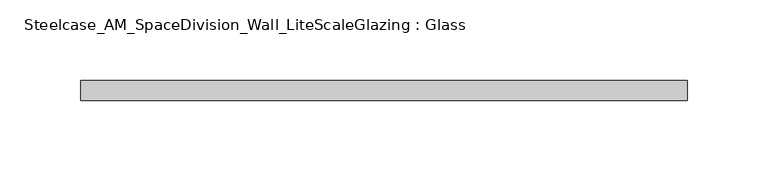
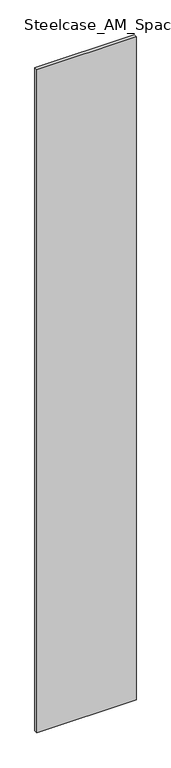
"""IFC4 building model written with IfcOpenShell, lengths in millimetres: plate geometry, Steelcase_AM_SpaceDivision_Wall_LiteScaleGlazing : Glass."""

import ifcopenshell
import ifcopenshell.guid

model = None  # the IFC model being written
_history = None  # IfcOwnerHistory: only IFC2X3 demands one
_inside = {}  # id of a spatial element -> (the spatial element, [elements in it])
_under = {}  # id of a project, library or spatial element -> (it, [spatial elements below it])
_declared = {}  # id of a project -> (the project, [libraries it declares])
_typed = {}  # id of a type object -> (the type object, [elements of that type])
_made_of = {}  # id of a material, layer set ... -> (it, [elements and type objects made of it])


def new_model(schema):
    """Start an empty IFC model of exactly this schema.

    Asked for "IFC4X3", IfcOpenShell would pick the latest addendum, in which some entities
    have other attributes; the version numbers below select the first issue.
    IFC2X3 requires an IfcOwnerHistory on every rooted entity: one is made here for all.
    """
    global model, _history
    if schema == "IFC4X3":
        model = ifcopenshell.file(schema_version=(4, 3, 0, 0))
    else:
        model = ifcopenshell.file(schema=schema)
    _inside.clear()
    _under.clear()
    _declared.clear()
    _typed.clear()
    _made_of.clear()
    _history = None
    if model.schema == "IFC2X3":
        org = make("IfcOrganization", Name="unknown")
        user = make(
            "IfcPersonAndOrganization",
            ThePerson=make("IfcPerson", FamilyName="unknown"),
            TheOrganization=org,
        )
        app = make(
            "IfcApplication",
            ApplicationDeveloper=org,
            Version="unknown",
            ApplicationFullName="unknown",
            ApplicationIdentifier="unknown",
        )
        _history = make(
            "IfcOwnerHistory",
            OwningUser=user,
            OwningApplication=app,
            ChangeAction="ADDED",
            CreationDate=0,
        )
    return model


def make(cls, **values):
    """One entity of the class cls with the attributes given. An attribute that is None is left unset."""
    return model.create_entity(
        cls, **{name: value for name, value in values.items() if value is not None}
    )


def rooted(cls, **values):
    """An entity with a GlobalId (a new one), such as an element, a storey or a relation."""
    return make(cls, GlobalId=ifcopenshell.guid.new(), OwnerHistory=_history, **values)


def si_unit(unit_type, name, prefix=None):
    """IfcSIUnit, for example si_unit("LENGTHUNIT", "METRE", prefix="MILLI")."""
    return make("IfcSIUnit", UnitType=unit_type, Prefix=prefix, Name=name)


def assignment(units):
    """IfcUnitAssignment: the units of a project."""
    return None if units is None else make("IfcUnitAssignment", Units=units)


def point(xyz):
    """IfcCartesianPoint."""
    return None if xyz is None else make("IfcCartesianPoint", Coordinates=xyz)


def direction(xyz):
    """IfcDirection."""
    return None if xyz is None else make("IfcDirection", DirectionRatios=xyz)


def frame(location, z_axis=None, x_axis=None):
    """IfcAxis2Placement3D, a coordinate frame: its origin and axes. An axis left out is left unset."""
    return make(
        "IfcAxis2Placement3D",
        Location=point(location),
        Axis=direction(z_axis),
        RefDirection=direction(x_axis),
    )


def origin():
    """The frame at (0, 0, 0) with its axes left unset."""
    return frame((0.0, 0.0, 0.0))


def origin_with_axes():
    """The frame at (0, 0, 0) with the z axis (0, 0, 1) and the x axis (1, 0, 0) written out."""
    return frame((0.0, 0.0, 0.0), z_axis=(0.0, 0.0, 1.0), x_axis=(1.0, 0.0, 0.0))


def place(relative_to, where):
    """IfcLocalPlacement: puts the frame where relative to a parent placement (None: the world)."""
    return make(
        "IfcLocalPlacement", PlacementRelTo=relative_to, RelativePlacement=where
    )


def context(
    kind, dimensions, precision=None, world=None, true_north=None, identifier=None
):
    """IfcGeometricRepresentationContext, for example the 3D "Model" context."""
    return make(
        "IfcGeometricRepresentationContext",
        ContextIdentifier=identifier,
        ContextType=kind,
        CoordinateSpaceDimension=dimensions,
        Precision=precision,
        WorldCoordinateSystem=world,
        TrueNorth=true_north,
    )


def project(units=None, contexts=None):
    """IfcProject with its units and contexts."""
    return rooted(
        "IfcProject",
        Name="project",
        RepresentationContexts=contexts,
        UnitsInContext=assignment(units),
    )


def spatial(cls, under=None, at=None, **own):
    """A site, building, storey or space (cls), placed at a placement, below another one or the project."""
    s = rooted(cls, ObjectPlacement=at, **own)
    if under is not None:
        _under.setdefault(under.id(), (under, []))[1].append(s)
    return s


def polyline(points):
    """IfcPolyline through the points."""
    return make("IfcPolyline", Points=[point(p) for p in points])


def outline(outer, holes=None, kind="AREA"):
    """IfcArbitraryClosedProfileDef: a profile drawn as a closed curve; with holes, ...WithVoids."""
    if holes is None:
        return make("IfcArbitraryClosedProfileDef", ProfileType=kind, OuterCurve=outer)
    return make(
        "IfcArbitraryProfileDefWithVoids",
        ProfileType=kind,
        OuterCurve=outer,
        InnerCurves=holes,
    )


def extrude(swept, where, along, depth):
    """IfcExtrudedAreaSolid: the profile swept, set in the frame where, extruded along a direction by depth."""
    return make(
        "IfcExtrudedAreaSolid",
        SweptArea=swept,
        Position=where,
        ExtrudedDirection=direction(along),
        Depth=depth,
    )


def shape(context_of_items, identifier, shape_type, items):
    """IfcShapeRepresentation: the items that make up one representation, for example the "Body"."""
    return make(
        "IfcShapeRepresentation",
        ContextOfItems=context_of_items,
        RepresentationIdentifier=identifier,
        RepresentationType=shape_type,
        Items=items,
    )


def source(mapping_origin, context_of_items, identifier, shape_type, items):
    """IfcRepresentationMap: a shape defined once, which mapped items show again and again."""
    return make(
        "IfcRepresentationMap",
        MappingOrigin=mapping_origin,
        MappedRepresentation=shape(context_of_items, identifier, shape_type, items),
    )


def transform(
    local_origin,
    x_axis=None,
    y_axis=None,
    z_axis=None,
    scale=None,
    scale2=None,
    scale3=None,
    uniform=True,
):
    """IfcCartesianTransformationOperator3D, or its non-uniform kind. x_axis, y_axis, z_axis: its Axis1, 2, 3."""
    if uniform:
        return make(
            "IfcCartesianTransformationOperator3D",
            Axis1=direction(x_axis),
            Axis2=direction(y_axis),
            LocalOrigin=point(local_origin),
            Scale=scale,
            Axis3=direction(z_axis),
        )
    return make(
        "IfcCartesianTransformationOperator3DnonUniform",
        Axis1=direction(x_axis),
        Axis2=direction(y_axis),
        LocalOrigin=point(local_origin),
        Scale=scale,
        Axis3=direction(z_axis),
        Scale2=scale2,
        Scale3=scale3,
    )


def mapped(mapping_source, mapping_target):
    """IfcMappedItem: shows the shape of a source again, moved by a transform."""
    return make(
        "IfcMappedItem", MappingSource=mapping_source, MappingTarget=mapping_target
    )


def made_of(thing, what):
    """Note that an element or type object is made of a material, layer set ...; save() writes the relation."""
    if what is not None:
        _made_of.setdefault(what.id(), (what, []))[1].append(thing)
    return thing


def element(
    cls,
    number,
    at=None,
    inside=None,
    cuts=None,
    type_object=None,
    material=None,
    context=None,
    identifier="Body",
    shape_type=None,
    held_by="IfcProductDefinitionShape",
    body=None,
    shapes=None,
    **own,
):
    """One element of the class cls, such as IfcWall. Its Tag is "e" and its number.

    at: its placement. inside: the storey or other place that contains it. cuts: it is an
    opening in that element (IfcRelVoidsElement). A single representation is given by context,
    identifier, shape_type and body (its items); several are given by shapes. held_by: the class
    of the entity that holds the representations. save() writes the other relations.
    """
    e = rooted(cls, Tag="e%d" % number, ObjectPlacement=at, **own)
    if body is not None:
        shapes = [shape(context, identifier, shape_type, body)]
    if shapes is not None:
        e.Representation = make(held_by, Representations=shapes)
    if inside is not None:
        _inside.setdefault(inside.id(), (inside, []))[1].append(e)
    if cuts is not None:
        rooted(
            "IfcRelVoidsElement", RelatingBuildingElement=cuts, RelatedOpeningElement=e
        )
    if type_object is not None:
        _typed.setdefault(type_object.id(), (type_object, []))[1].append(e)
    return made_of(e, material)


def aggregate(whole, parts):
    """IfcRelAggregates: a whole, such as a stair, and the parts it consists of."""
    return rooted("IfcRelAggregates", RelatingObject=whole, RelatedObjects=parts)


def save(model, path):
    """Write the relations noted so far, then the file.

    IfcRelAggregates (storeys below a building ...), IfcRelContainedInSpatialStructure (elements
    in a storey), IfcRelDefinesByType, IfcRelAssociatesMaterial and IfcRelDeclares: one each for
    every whole, place, type object, material and project.
    """
    for whole, parts in _under.values():
        aggregate(whole, parts)
    for where, things in _inside.values():
        rooted(
            "IfcRelContainedInSpatialStructure",
            RelatedElements=things,
            RelatingStructure=where,
        )
    for kind, things in _typed.values():
        rooted("IfcRelDefinesByType", RelatedObjects=things, RelatingType=kind)
    for what, things in _made_of.values():
        rooted("IfcRelAssociatesMaterial", RelatedObjects=things, RelatingMaterial=what)
    for by, libraries in _declared.values():
        rooted("IfcRelDeclares", RelatingContext=by, RelatedDefinitions=libraries)
    model.write(path)


def steelcase_am_spacedivision_wall_litescaleglazing_glass_8fa9d945(model_context):
    return source(origin(), model_context, "Body", "SweptSolid", [
        extrude(outline(polyline([(-188.5088563, -6.349956), (-188.5088563, 6.3502015), (188.5088563, 6.3502015), (188.5088563, -6.349956), (-188.5088563, -6.349956)])), origin_with_axes(), (0.0, 0.0, 1.0), 2665.984),
    ])


if __name__ == "__main__":
    model = new_model("IFC4")
    model_context = context("Model", 3, world=origin())
    ifc_project = project(units=[si_unit("LENGTHUNIT", "METRE", prefix="MILLI")], contexts=[model_context])
    site = spatial("IfcSite", under=ifc_project)
    building = spatial("IfcBuilding", under=site)
    placement = place(None, origin())
    steelcase_am_spacedivision_wall_litescaleglazing_glass_shape = steelcase_am_spacedivision_wall_litescaleglazing_glass_8fa9d945(model_context)
    element("IfcPlate", 1, ObjectType="Steelcase_AM_SpaceDivision_Wall_LiteScaleGlazing : Glass", at=placement, inside=building, context=model_context, shape_type="MappedRepresentation", body=[
        mapped(steelcase_am_spacedivision_wall_litescaleglazing_glass_shape, transform((0.0, 0.0, 0.0), x_axis=(1.0, 0.0, 0.0), y_axis=(0.0, 1.0, 0.0), z_axis=(0.0, 0.0, 1.0))),
    ])
    save(model, "model.ifc")
